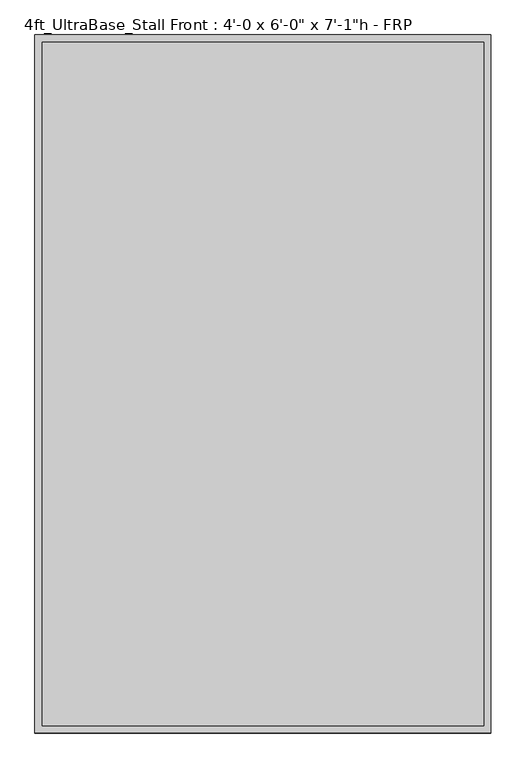
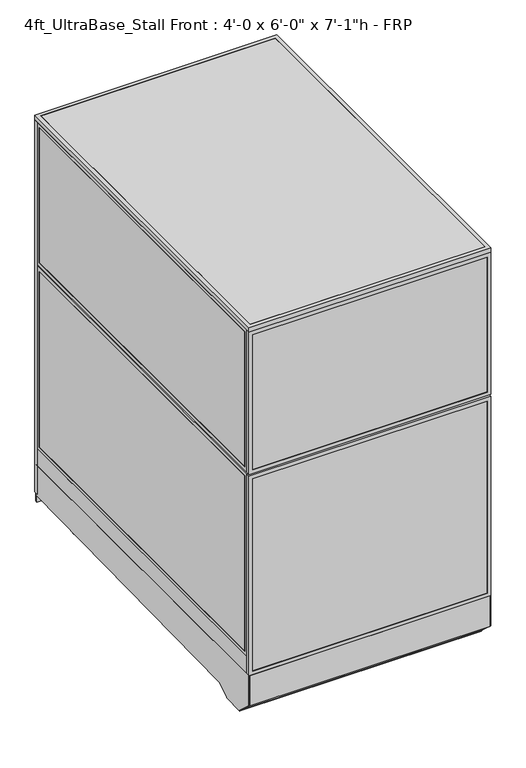
"""IFC4 building model written with IfcOpenShell, lengths in millimetres: proxy geometry."""

from ifc_helpers import new_model, si_unit, point, frame, frame_2d, origin, origin_with_axes, place, context, project, spatial, polyline, circle_curve, trimmed, segment, composite_curve, outline, extrude, source, transform, mapped, element, save


def proxy_e11b9c0f(model_context):
    return source(origin(), model_context, "Body", "SweptSolid", [
        extrude(outline(polyline([(152.4, 0.0), (152.4, 914.4), (2133.6, 914.4), (2133.6, 0.0), (152.4, 0.0)]), holes=[polyline([(971.55, 19.05), (971.55, 895.35), (171.45, 895.35), (171.45, 19.05), (971.55, 19.05)]), polyline([(1009.65, 895.35), (1009.65, 19.05), (2114.55, 19.05), (2114.55, 895.35), (1009.65, 895.35)])]), frame((0.0, 1828.8, 0.0), z_axis=(0.0, 1.0, 0.0), x_axis=(0.0, 0.0, 1.0)), (0.0, 0.0, 1.0), 19.05),
        extrude(outline(polyline([(60.3189838, 1846.2625), (854.0810162, 1846.2625), (854.0810162, 1830.3875), (60.3189838, 1830.3875), (60.3189838, 1846.2625)])), frame((0.0, 0.0, 212.725), z_axis=(0.0, 0.0, 1.0), x_axis=(1.0, 0.0, 0.0)), (0.0, 0.0, 1.0), 717.55),
        extrude(outline(polyline([(1031.875, 41.2689838), (1031.875, 873.1310162), (2092.325, 873.1310162), (2092.325, 41.2689838), (1031.875, 41.2689838)]), holes=[polyline([(2073.275, 854.0810162), (1050.925, 854.0810162), (1050.925, 60.3189838), (2073.275, 60.3189838), (2073.275, 854.0810162)])]), frame((0.0, 1828.8, 0.0), z_axis=(0.0, 1.0, 0.0), x_axis=(0.0, 0.0, 1.0)), (0.0, 0.0, 1.0), 19.05),
        extrude(outline(polyline([(193.675, 41.2689838), (193.675, 873.1310162), (949.325, 873.1310162), (949.325, 41.2689838), (193.675, 41.2689838)]), holes=[polyline([(930.275, 854.0810162), (212.725, 854.0810162), (212.725, 60.3189838), (930.275, 60.3189838), (930.275, 854.0810162)])]), frame((0.0, 1828.8, 0.0), z_axis=(0.0, 1.0, 0.0), x_axis=(0.0, 0.0, 1.0)), (0.0, 0.0, 1.0), 19.05),
        extrude(outline(polyline([(60.3189838, 1846.2625), (854.0810162, 1846.2625), (854.0810162, 1830.3875), (60.3189838, 1830.3875), (60.3189838, 1846.2625)])), frame((0.0, 0.0, 1050.925), z_axis=(0.0, 0.0, 1.0), x_axis=(1.0, 0.0, 0.0)), (0.0, 0.0, 1.0), 1022.35),
        extrude(outline(polyline([(933.45, 1846.2625), (1200.15, 1846.2625), (1200.15, 1830.3875), (933.45, 1830.3875), (933.45, 1846.2625)])), frame((0.0, 0.0, 171.45), z_axis=(0.0, 0.0, 1.0), x_axis=(1.0, 0.0, 0.0)), (0.0, 0.0, 1.0), 800.1),
        extrude(outline(polyline([(933.45, 1846.2625), (1200.15, 1846.2625), (1200.15, 1830.3875), (933.45, 1830.3875), (933.45, 1846.2625)])), frame((0.0, 0.0, 1009.65), z_axis=(0.0, 0.0, 1.0), x_axis=(1.0, 0.0, 0.0)), (0.0, 0.0, 1.0), 1104.9),
        extrude(outline(polyline([(2133.6, 1219.2), (2133.6, 914.4), (152.4, 914.4), (152.4, 1219.2), (2133.6, 1219.2)]), holes=[polyline([(971.55, 1200.15), (171.45, 1200.15), (171.45, 933.45), (971.55, 933.45), (971.55, 1200.15)]), polyline([(1009.65, 1200.15), (1009.65, 933.45), (2114.55, 933.45), (2114.55, 1200.15), (1009.65, 1200.15)])]), frame((0.0, 1828.8, 0.0), z_axis=(0.0, 1.0, 0.0), x_axis=(0.0, 0.0, 1.0)), (0.0, 0.0, 1.0), 19.05),
        extrude(outline(composite_curve([segment(trimmed(circle_curve(frame_2d((1110.8236459, 1677.6018426)), 38.1), [point((1072.7236459, 1677.6018426))], [point((1148.9236459, 1677.6018426))], False, "CARTESIAN"), True, "CONTINUOUS"), segment(trimmed(circle_curve(frame_2d((1110.8236459, 1677.6018426)), 38.1), [point((1148.9236459, 1677.6018426))], [point((1072.7236459, 1677.6018426))], False, "CARTESIAN"), True, "CONTINUOUS")], self_intersect=False)), frame((0.0, 0.0, 130.9806848), z_axis=(0.0, 0.0, 1.0), x_axis=(1.0, 0.0, 0.0)), (0.0, 0.0, 1.0), 12.9784433),
        extrude(outline(composite_curve([segment(trimmed(circle_curve(frame_2d((1110.8236459, 1677.6018426)), 12.7), [point((1098.1236459, 1677.6018426))], [point((1123.5236459, 1677.6018426))], False, "CARTESIAN"), True, "CONTINUOUS"), segment(trimmed(circle_curve(frame_2d((1110.8236459, 1677.6018426)), 12.7), [point((1123.5236459, 1677.6018426))], [point((1098.1236459, 1677.6018426))], False, "CARTESIAN"), True, "CONTINUOUS")], self_intersect=False)), frame((0.0, 0.0, 6.35), z_axis=(0.0, 0.0, 1.0), x_axis=(1.0, 0.0, 0.0)), (0.0, 0.0, 1.0), 124.6306848),
        extrude(outline(composite_curve([segment(trimmed(circle_curve(frame_2d((1110.8236459, 1677.6018426)), 25.4), [point((1085.4236459, 1677.6018426))], [point((1136.2236459, 1677.6018426))], False, "CARTESIAN"), True, "CONTINUOUS"), segment(trimmed(circle_curve(frame_2d((1110.8236459, 1677.6018426)), 25.4), [point((1136.2236459, 1677.6018426))], [point((1085.4236459, 1677.6018426))], False, "CARTESIAN"), True, "CONTINUOUS")], self_intersect=False)), origin_with_axes(), (0.0, 0.0, 1.0), 6.35),
        extrude(outline(composite_curve([segment(trimmed(circle_curve(frame_2d((120.2236459, 1677.6018426)), 38.1), [point((82.1236459, 1677.6018426))], [point((158.3236459, 1677.6018426))], False, "CARTESIAN"), True, "CONTINUOUS"), segment(trimmed(circle_curve(frame_2d((120.2236459, 1677.6018426)), 38.1), [point((158.3236459, 1677.6018426))], [point((82.1236459, 1677.6018426))], False, "CARTESIAN"), True, "CONTINUOUS")], self_intersect=False)), frame((0.0, 0.0, 130.9806848), z_axis=(0.0, 0.0, 1.0), x_axis=(1.0, 0.0, 0.0)), (0.0, 0.0, 1.0), 12.9784433),
        extrude(outline(composite_curve([segment(trimmed(circle_curve(frame_2d((120.2236459, 1677.6018426)), 12.7), [point((107.5236459, 1677.6018426))], [point((132.9236459, 1677.6018426))], False, "CARTESIAN"), True, "CONTINUOUS"), segment(trimmed(circle_curve(frame_2d((120.2236459, 1677.6018426)), 12.7), [point((132.9236459, 1677.6018426))], [point((107.5236459, 1677.6018426))], False, "CARTESIAN"), True, "CONTINUOUS")], self_intersect=False)), frame((0.0, 0.0, 6.35), z_axis=(0.0, 0.0, 1.0), x_axis=(1.0, 0.0, 0.0)), (0.0, 0.0, 1.0), 124.6306848),
        extrude(outline(composite_curve([segment(trimmed(circle_curve(frame_2d((120.2236459, 1677.6018426)), 25.4), [point((94.8236459, 1677.6018426))], [point((145.6236459, 1677.6018426))], False, "CARTESIAN"), True, "CONTINUOUS"), segment(trimmed(circle_curve(frame_2d((120.2236459, 1677.6018426)), 25.4), [point((145.6236459, 1677.6018426))], [point((94.8236459, 1677.6018426))], False, "CARTESIAN"), True, "CONTINUOUS")], self_intersect=False)), origin_with_axes(), (0.0, 0.0, 1.0), 6.35),
        extrude(outline(composite_curve([segment(trimmed(circle_curve(frame_2d((120.2236459, 331.9496116)), 38.1), [point((82.1236459, 331.9496116))], [point((158.3236459, 331.9496116))], False, "CARTESIAN"), True, "CONTINUOUS"), segment(trimmed(circle_curve(frame_2d((120.2236459, 331.9496116)), 38.1), [point((158.3236459, 331.9496116))], [point((82.1236459, 331.9496116))], False, "CARTESIAN"), True, "CONTINUOUS")], self_intersect=False)), frame((0.0, 0.0, 103.9931848), z_axis=(0.0, 0.0, 1.0), x_axis=(1.0, 0.0, 0.0)), (0.0, 0.0, 1.0), 12.9784433),
        extrude(outline(composite_curve([segment(trimmed(circle_curve(frame_2d((120.2236459, 331.9496116)), 12.7), [point((107.5236459, 331.9496116))], [point((132.9236459, 331.9496116))], False, "CARTESIAN"), True, "CONTINUOUS"), segment(trimmed(circle_curve(frame_2d((120.2236459, 331.9496116)), 12.7), [point((132.9236459, 331.9496116))], [point((107.5236459, 331.9496116))], False, "CARTESIAN"), True, "CONTINUOUS")], self_intersect=False)), frame((0.0, 0.0, 6.35), z_axis=(0.0, 0.0, 1.0), x_axis=(1.0, 0.0, 0.0)), (0.0, 0.0, 1.0), 97.6431848),
        extrude(outline(composite_curve([segment(trimmed(circle_curve(frame_2d((120.2236459, 331.9496116)), 25.4), [point((94.8236459, 331.9496116))], [point((145.6236459, 331.9496116))], False, "CARTESIAN"), True, "CONTINUOUS"), segment(trimmed(circle_curve(frame_2d((120.2236459, 331.9496116)), 25.4), [point((145.6236459, 331.9496116))], [point((94.8236459, 331.9496116))], False, "CARTESIAN"), True, "CONTINUOUS")], self_intersect=False)), origin_with_axes(), (0.0, 0.0, 1.0), 6.35),
        extrude(outline(composite_curve([segment(trimmed(circle_curve(frame_2d((1110.8236459, 331.9496116)), 38.1), [point((1072.7236459, 331.9496116))], [point((1148.9236459, 331.9496116))], False, "CARTESIAN"), True, "CONTINUOUS"), segment(trimmed(circle_curve(frame_2d((1110.8236459, 331.9496116)), 38.1), [point((1148.9236459, 331.9496116))], [point((1072.7236459, 331.9496116))], False, "CARTESIAN"), True, "CONTINUOUS")], self_intersect=False)), frame((0.0, 0.0, 103.9931848), z_axis=(0.0, 0.0, 1.0), x_axis=(1.0, 0.0, 0.0)), (0.0, 0.0, 1.0), 12.9784433),
        extrude(outline(composite_curve([segment(trimmed(circle_curve(frame_2d((1110.8236459, 331.9496116)), 12.7), [point((1098.1236459, 331.9496116))], [point((1123.5236459, 331.9496116))], False, "CARTESIAN"), True, "CONTINUOUS"), segment(trimmed(circle_curve(frame_2d((1110.8236459, 331.9496116)), 12.7), [point((1123.5236459, 331.9496116))], [point((1098.1236459, 331.9496116))], False, "CARTESIAN"), True, "CONTINUOUS")], self_intersect=False)), frame((0.0, 0.0, 6.35), z_axis=(0.0, 0.0, 1.0), x_axis=(1.0, 0.0, 0.0)), (0.0, 0.0, 1.0), 97.6431848),
        extrude(outline(composite_curve([segment(trimmed(circle_curve(frame_2d((1110.8236459, 331.9496116)), 25.4), [point((1085.4236459, 331.9496116))], [point((1136.2236459, 331.9496116))], False, "CARTESIAN"), True, "CONTINUOUS"), segment(trimmed(circle_curve(frame_2d((1110.8236459, 331.9496116)), 25.4), [point((1136.2236459, 331.9496116))], [point((1085.4236459, 331.9496116))], False, "CARTESIAN"), True, "CONTINUOUS")], self_intersect=False)), origin_with_axes(), (0.0, 0.0, 1.0), 6.35),
        extrude(outline(polyline([(-19.05, 304.8), (1835.15, 304.8), (1835.15, 143.3232444), (238.733612, 113.4956461), (175.3928625, 76.9258473), (175.3928625, 69.0977369), (59.8970382, 69.0977369), (59.8970382, 73.3553835), (-19.05, 144.439616), (-19.05, 304.8)])), frame((0.0, 0.0, 0.0), z_axis=(1.0, 0.0, 0.0), x_axis=(0.0, 1.0, 0.0)), (0.0, 0.0, 1.0), 3.175),
        extrude(outline(polyline([(-19.05, 304.8), (1835.15, 304.8), (1835.15, 143.3232444), (238.733612, 113.4956461), (175.3928625, 76.9258473), (175.3928625, 69.0977369), (59.8970382, 69.0977369), (59.8970382, 73.3553835), (-19.05, 144.439616), (-19.05, 304.8)])), frame((1216.025, 0.0, 0.0), z_axis=(1.0, 0.0, 0.0), x_axis=(0.0, 1.0, 0.0)), (0.0, 0.0, 1.0), 3.175),
        extrude(outline(polyline([(1835.15, 104.78262), (1835.15, 144.8342358), (238.733612, 113.4956461), (175.3928625, 76.9258473), (175.3928625, 69.0977369), (59.8970382, 69.0977369), (59.8970382, 73.3553835), (-19.05, 144.439616), (-19.05, 304.8), (-10.9434074, 304.8), (-10.9434074, 236.4996867), (-5.6766373, 236.4996867), (-2.6025146, 148.4683295), (68.18203, 84.7336392), (68.18203, 79.4164869), (167.804636, 79.4164869), (167.804636, 86.088281), (237.0845322, 126.0870477), (1847.85, 157.8890047), (1847.85, 104.78262), (1835.15, 104.78262)])), frame((3.175, 0.0, 0.0), z_axis=(1.0, 0.0, 0.0), x_axis=(0.0, 1.0, 0.0)), (0.0, 0.0, 1.0), 1212.85),
        extrude(outline(polyline([(1366.8375, 1219.2), (1366.8375, 0.0), (304.8, 0.0), (304.8, 1219.2), (1366.8375, 1219.2)]), holes=[polyline([(323.85, 1200.15), (323.85, 19.05), (1347.7875, 19.05), (1347.7875, 1200.15), (323.85, 1200.15)])]), frame((0.0, -19.05, 0.0), z_axis=(0.0, 1.0, 0.0), x_axis=(0.0, 0.0, 1.0)), (0.0, 0.0, 1.0), 19.05),
        extrude(outline(polyline([(1376.3625, 1219.2), (2133.6, 1219.2), (2133.6, 0.0), (1376.3625, 0.0), (1376.3625, 1219.2)]), holes=[polyline([(2114.55, 1200.15), (1395.4125, 1200.15), (1395.4125, 19.05), (2114.55, 19.05), (2114.55, 1200.15)])]), frame((0.0, -19.05, 0.0), z_axis=(0.0, 1.0, 0.0), x_axis=(0.0, 0.0, 1.0)), (0.0, 0.0, 1.0), 19.05),
        extrude(outline(polyline([(1200.15, -17.4625), (19.05, -17.4625), (19.05, -1.5875), (1200.15, -1.5875), (1200.15, -17.4625)])), frame((0.0, 0.0, 323.85), z_axis=(0.0, 0.0, 1.0), x_axis=(1.0, 0.0, 0.0)), (0.0, 0.0, 1.0), 1023.9375),
        extrude(outline(polyline([(1200.15, -17.4625), (19.05, -17.4625), (19.05, -1.5875), (1200.15, -1.5875), (1200.15, -17.4625)])), frame((0.0, 0.0, 1395.4125), z_axis=(0.0, 0.0, 1.0), x_axis=(1.0, 0.0, 0.0)), (0.0, 0.0, 1.0), 719.1375),
        extrude(outline(polyline([(1200.15, 0.0), (1200.15, 1828.8), (1219.2, 1828.8), (1219.2, 0.0), (1200.15, 0.0)])), frame((0.0, 0.0, 304.8), z_axis=(0.0, 0.0, 1.0), x_axis=(1.0, 0.0, 0.0)), (0.0, 0.0, 1.0), 88.9),
        extrude(outline(polyline([(1828.8, 393.7), (0.0, 393.7), (0.0, 1366.8375), (1828.8, 1366.8375), (1828.8, 393.7)]), holes=[polyline([(1809.75, 1347.7875), (19.05, 1347.7875), (19.05, 412.75), (1809.75, 412.75), (1809.75, 1347.7875)])]), frame((1200.15, 0.0, 0.0), z_axis=(1.0, 0.0, 0.0), x_axis=(0.0, 1.0, 0.0)), (0.0, 0.0, 1.0), 19.05),
        extrude(outline(polyline([(0.0, 1376.3625), (0.0, 2133.6), (1828.8, 2133.6), (1828.8, 1376.3625), (0.0, 1376.3625)]), holes=[polyline([(19.05, 2114.55), (19.05, 1395.4125), (1809.75, 1395.4125), (1809.75, 2114.55), (19.05, 2114.55)])]), frame((1200.15, 0.0, 0.0), z_axis=(1.0, 0.0, 0.0), x_axis=(0.0, 1.0, 0.0)), (0.0, 0.0, 1.0), 19.05),
        extrude(outline(polyline([(1201.7375, 19.05), (1201.7375, 1809.75), (1217.6125, 1809.75), (1217.6125, 19.05), (1201.7375, 19.05)])), frame((0.0, 0.0, 412.75), z_axis=(0.0, 0.0, 1.0), x_axis=(1.0, 0.0, 0.0)), (0.0, 0.0, 1.0), 935.0375),
        extrude(outline(polyline([(1201.7375, 19.05), (1201.7375, 1809.75), (1217.6125, 1809.75), (1217.6125, 19.05), (1201.7375, 19.05)])), frame((0.0, 0.0, 1395.4125), z_axis=(0.0, 0.0, 1.0), x_axis=(1.0, 0.0, 0.0)), (0.0, 0.0, 1.0), 719.1375),
        extrude(outline(polyline([(0.0, 0.0), (0.0, 1828.8), (19.05, 1828.8), (19.05, 0.0), (0.0, 0.0)])), frame((0.0, 0.0, 304.8), z_axis=(0.0, 0.0, 1.0), x_axis=(1.0, 0.0, 0.0)), (0.0, 0.0, 1.0), 88.9),
        extrude(outline(polyline([(1828.8, 393.7), (0.0, 393.7), (0.0, 1366.8375), (1828.8, 1366.8375), (1828.8, 393.7)]), holes=[polyline([(1809.75, 1347.7875), (19.05, 1347.7875), (19.05, 412.75), (1809.75, 412.75), (1809.75, 1347.7875)])]), frame((0.0, 0.0, 0.0), z_axis=(1.0, 0.0, 0.0), x_axis=(0.0, 1.0, 0.0)), (0.0, 0.0, 1.0), 19.05),
        extrude(outline(polyline([(0.0, 1376.3625), (0.0, 2133.6), (1828.8, 2133.6), (1828.8, 1376.3625), (0.0, 1376.3625)]), holes=[polyline([(19.05, 2114.55), (19.05, 1395.4125), (1809.75, 1395.4125), (1809.75, 2114.55), (19.05, 2114.55)])]), frame((0.0, 0.0, 0.0), z_axis=(1.0, 0.0, 0.0), x_axis=(0.0, 1.0, 0.0)), (0.0, 0.0, 1.0), 19.05),
        extrude(outline(polyline([(1.5875, 19.05), (1.5875, 1809.75), (17.4625, 1809.75), (17.4625, 19.05), (1.5875, 19.05)])), frame((0.0, 0.0, 412.75), z_axis=(0.0, 0.0, 1.0), x_axis=(1.0, 0.0, 0.0)), (0.0, 0.0, 1.0), 935.0375),
        extrude(outline(polyline([(1.5875, 19.05), (1.5875, 1809.75), (17.4625, 1809.75), (17.4625, 19.05), (1.5875, 19.05)])), frame((0.0, 0.0, 1395.4125), z_axis=(0.0, 0.0, 1.0), x_axis=(1.0, 0.0, 0.0)), (0.0, 0.0, 1.0), 719.1375),
        extrude(outline(polyline([(1187.45, 622.3), (1187.45, 609.6), (31.75, 609.6), (31.75, 622.3), (1187.45, 622.3)])), frame((0.0, 0.0, 152.4), z_axis=(0.0, 0.0, 1.0), x_axis=(1.0, 0.0, 0.0)), (0.0, 0.0, 1.0), 152.4),
        extrude(outline(polyline([(1187.45, 622.3), (1187.45, 12.7), (31.75, 12.7), (31.75, 622.3), (1187.45, 622.3)])), frame((0.0, 0.0, 304.8), z_axis=(0.0, 0.0, 1.0), x_axis=(1.0, 0.0, 0.0)), (0.0, 0.0, 1.0), 12.7),
        extrude(outline(polyline([(1219.2, 1847.85), (1219.2, -19.05), (0.0, -19.05), (0.0, 1847.85), (1219.2, 1847.85)]), holes=[polyline([(1200.15, 1828.8), (19.05, 1828.8), (19.05, 0.0), (1200.15, 0.0), (1200.15, 1828.8)])]), frame((0.0, 0.0, 2133.6), z_axis=(0.0, 0.0, 1.0), x_axis=(1.0, 0.0, 0.0)), (0.0, 0.0, 1.0), 25.4),
        extrude(outline(polyline([(19.05, 1828.8), (1200.15, 1828.8), (1200.15, 0.0), (19.05, 0.0), (19.05, 1828.8)])), frame((0.0, 0.0, 2133.6), z_axis=(0.0, 0.0, 1.0), x_axis=(1.0, 0.0, 0.0)), (0.0, 0.0, 1.0), 25.4),
    ])


if __name__ == "__main__":
    model = new_model("IFC4")
    model_context = context("Model", 3, world=origin())
    ifc_project = project(units=[si_unit("LENGTHUNIT", "METRE", prefix="MILLI")], contexts=[model_context])
    site = spatial("IfcSite", under=ifc_project)
    building = spatial("IfcBuilding", under=site)
    placement = place(None, origin())
    proxy_shape = proxy_e11b9c0f(model_context)
    element("IfcBuildingElementProxy", 1, Name="4ft_UltraBase_Stall Front : 4'-0 x 6'-0\" x 7'-1\"h - FRP", ObjectType="4ft_UltraBase_Stall Front : 4'-0 x 6'-0\" x 7'-1\"h - FRP", at=placement, inside=building, context=model_context, shape_type="MappedRepresentation", body=[
        mapped(proxy_shape, transform((0.0, 0.0, 0.0), x_axis=(1.0, 0.0, 0.0), y_axis=(0.0, 1.0, 0.0), z_axis=(0.0, 0.0, 1.0))),
    ])
    save(model, "model.ifc")
